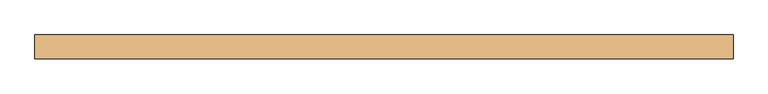
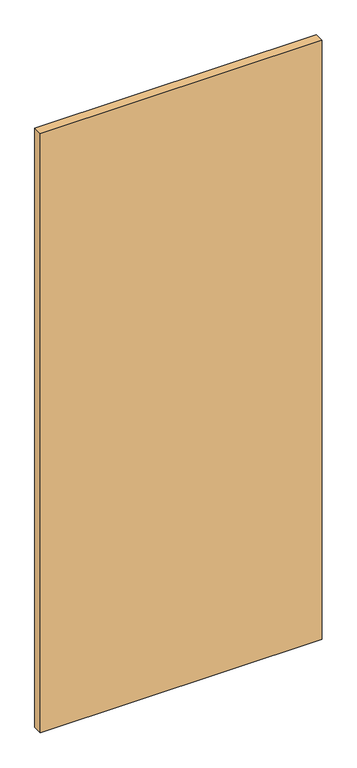
"""IFC4 building model written with IfcOpenShell, lengths in millimetres: door geometry."""

from ifc_helpers import new_model, si_unit, frame, origin, place, context, project, spatial, polyline, outline, extrude, source, transform, mapped, element, save


def door_2335d6b7(model_context):
    return source(origin(), model_context, "Body", "SweptSolid", [
        extrude(outline(polyline([(586.5, -20.0), (-586.5, -20.0), (-586.5, 20.0), (586.5, 20.0), (586.5, -20.0)])), frame((0.0, 0.0, 10.0), z_axis=(0.0, 0.0, 1.0), x_axis=(1.0, 0.0, 0.0)), (0.0, 0.0, 1.0), 2636.0),
    ])


if __name__ == "__main__":
    model = new_model("IFC4")
    model_context = context("Model", 3, world=origin())
    ifc_project = project(units=[si_unit("LENGTHUNIT", "METRE", prefix="MILLI")], contexts=[model_context])
    site = spatial("IfcSite", under=ifc_project)
    building = spatial("IfcBuilding", under=site)
    placement = place(None, origin())
    door_shape = door_2335d6b7(model_context)
    element("IfcDoor", 1, at=placement, inside=building, context=model_context, shape_type="MappedRepresentation", body=[
        mapped(door_shape, transform((0.0, 0.0, 0.0), x_axis=(1.0, 0.0, 0.0), y_axis=(0.0, 1.0, 0.0), z_axis=(0.0, 0.0, 1.0))),
    ])
    save(model, "model.ifc")
